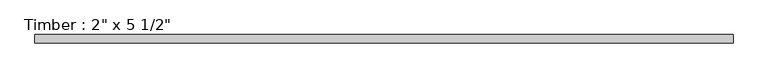
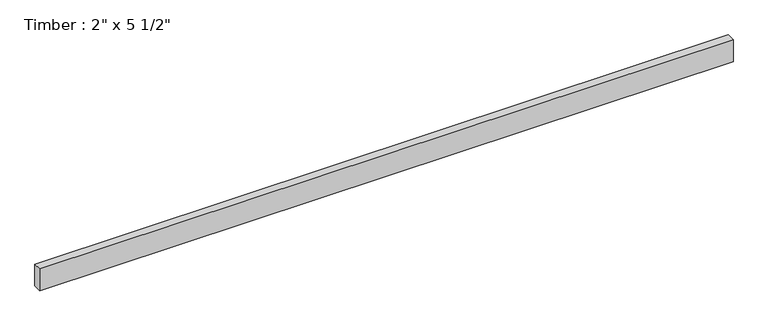
"""IFC4 building model written with IfcOpenShell, lengths in millimetres: beam geometry."""

from ifc_helpers import new_model, si_unit, frame, origin, place, context, project, spatial, polyline, outline, extrude, source, transform, mapped, element, save


def beam_58b7c3e2(model_context):
    return source(origin(), model_context, "Body", "SweptSolid", [
        extrude(outline(polyline([(2089.1087758, 25.4), (2089.1087758, -25.4), (-2089.1087758, -25.4), (-2089.1087758, 25.4), (2089.1087758, 25.4)])), frame((0.0, 0.0, -69.85), z_axis=(0.0, 0.0, 1.0), x_axis=(1.0, 0.0, 0.0)), (0.0, 0.0, 1.0), 139.7),
    ])


if __name__ == "__main__":
    model = new_model("IFC4")
    model_context = context("Model", 3, world=origin())
    ifc_project = project(units=[si_unit("LENGTHUNIT", "METRE", prefix="MILLI")], contexts=[model_context])
    site = spatial("IfcSite", under=ifc_project)
    building = spatial("IfcBuilding", under=site)
    placement = place(None, origin())
    beam_shape = beam_58b7c3e2(model_context)
    element("IfcBeam", 1, ObjectType="Timber : 2\" x 5 1/2\"", at=placement, inside=building, context=model_context, shape_type="MappedRepresentation", body=[
        mapped(beam_shape, transform((0.0, 0.0, 0.0), x_axis=(1.0, 0.0, 0.0), y_axis=(0.0, 1.0, 0.0), z_axis=(0.0, 0.0, 1.0))),
    ])
    save(model, "model.ifc")
